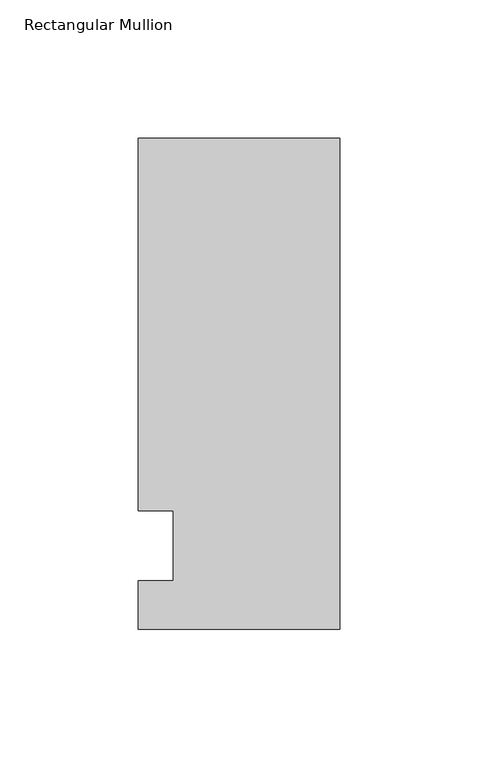
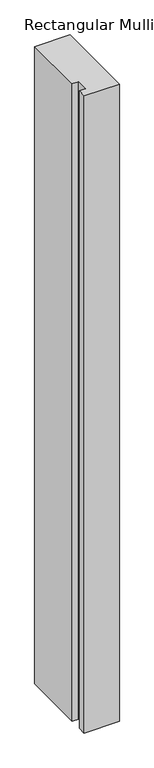
"""IFC4 building model written with IfcOpenShell, lengths in millimetres: member geometry, Rectangular Mullion."""

from ifc_helpers import new_model, si_unit, frame, origin, place, context, project, spatial, polyline, outline, extrude, source, transform, mapped, element, save


def rectangular_mullion_2cee61cc(model_context):
    return source(origin(), model_context, "Body", "SweptSolid", [
        extrude(outline(polyline([(-73.025, 147.6375), (0.0, 147.6375), (0.0, -30.1625), (-73.025, -30.1625), (-73.025, -12.7), (-60.3232296, -12.7), (-60.3232296, 12.7), (-73.025, 12.7), (-73.025, 147.6375)])), frame((0.0, 0.0, -1397.957264), z_axis=(0.0, 0.0, 1.0), x_axis=(1.0, 0.0, 0.0)), (0.0, 0.0, 1.0), 1397.957264),
    ])


if __name__ == "__main__":
    model = new_model("IFC4")
    model_context = context("Model", 3, world=origin())
    ifc_project = project(units=[si_unit("LENGTHUNIT", "METRE", prefix="MILLI")], contexts=[model_context])
    site = spatial("IfcSite", under=ifc_project)
    building = spatial("IfcBuilding", under=site)
    placement = place(None, origin())
    rectangular_mullion_shape = rectangular_mullion_2cee61cc(model_context)
    element("IfcMember", 1, ObjectType="Rectangular Mullion", at=placement, inside=building, context=model_context, shape_type="MappedRepresentation", body=[
        mapped(rectangular_mullion_shape, transform((0.0, 0.0, 0.0), x_axis=(1.0, 0.0, 0.0), y_axis=(0.0, 1.0, 0.0), z_axis=(0.0, 0.0, 1.0))),
    ])
    save(model, "model.ifc")
